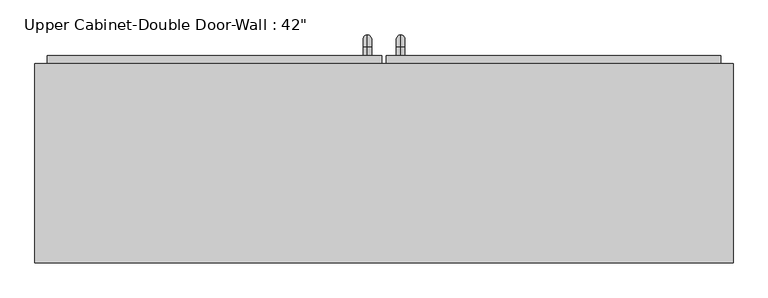
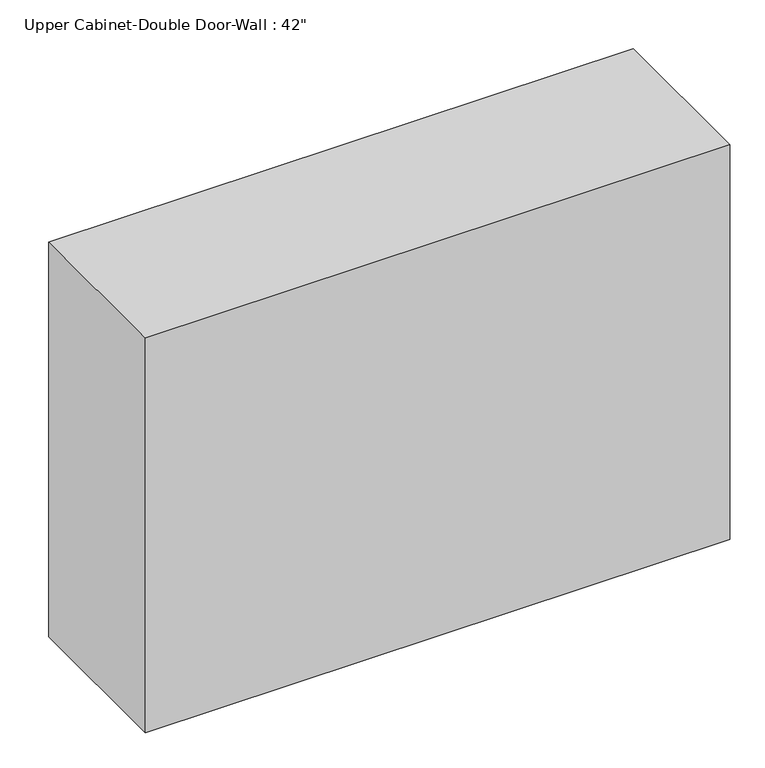
"""IFC4 building model written with IfcOpenShell, lengths in millimetres: furniture geometry."""

from ifc_helpers import new_model, si_unit, point, frame, origin, place, context, project, spatial, polyline, circle_curve, ellipse_curve, trimmed, outline, extrude, faceted_brep, source, transform, mapped, element, save
from ifc_brep_helpers import plane_surface, cylinder_surface, revolved_surface, advanced_brep


def furniture_35403546(model_context):
    return source(origin(), model_context, "Body", "SolidModel", [
        faceted_brep([(-503.6288372, 61.9125, 2133.6), (-503.6288372, 61.9125, 1371.6), (563.1711628, 61.9125, 1371.6), (563.1711628, 61.9125, 2133.6), (-503.6288372, 366.7125, 2133.6), (563.1711628, 366.7125, 2133.6), (563.1711628, 366.7125, 1371.6), (-503.6288372, 366.7125, 1371.6), (-484.5788372, 366.7125, 2114.55), (-484.5788372, 366.7125, 1390.65), (544.1211628, 366.7125, 1390.65), (544.1211628, 366.7125, 2114.55), (544.1211628, 80.9625, 2114.55), (-484.5788372, 80.9625, 2114.55), (544.1211628, 80.9625, 1390.65), (-484.5788372, 80.9625, 1390.65)], [[[0, 1, 2, 3]], [[4, 5, 6, 7], [8, 9, 10, 11]], [[1, 0, 4, 7]], [[2, 1, 7, 6]], [[3, 2, 6, 5]], [[0, 3, 5, 4]], [[8, 11, 12, 13]], [[11, 10, 14, 12]], [[10, 9, 15, 14]], [[9, 8, 13, 15]], [[13, 12, 14, 15]]]),
        advanced_brep(
        [(55.1711628, 379.4125, 1517.65), (55.1711628, 379.4125, 1530.35), (55.1711628, 392.1125, 1517.65), (55.1711628, 392.1125, 1530.35), (55.1711628, 411.1625, 1511.3), (55.1711628, 398.4625, 1511.3), (55.1711628, 398.4625, 1435.1), (55.1711628, 411.1625, 1435.1), (55.1711628, 392.1125, 1416.05), (55.1711628, 392.1125, 1428.75), (55.1711628, 379.4125, 1428.75), (55.1711628, 379.4125, 1416.05)],
        [
            (0, 1, circle_curve(frame((55.1711628, 379.4125, 1524.0), z_axis=(0.0, -1.0, 0.0), x_axis=(0.0, 0.0, -1.0)), 6.35)),
            (1, 0, circle_curve(frame((55.1711628, 379.4125, 1524.0), z_axis=(0.0, -1.0, 0.0), x_axis=(0.0, 0.0, -1.0)), 6.35)),
            (0, 2),
            (2, 3, circle_curve(frame((55.1711628, 392.1125, 1524.0), z_axis=(0.0, -1.0, 0.0), x_axis=(0.0, 0.0, -1.0)), 6.35)),
            (3, 1),
            (3, 2, circle_curve(frame((55.1711628, 392.1125, 1524.0), z_axis=(0.0, -1.0, 0.0), x_axis=(0.0, 0.0, -1.0)), 6.35)),
            (4, 3, circle_curve(frame((55.1711628, 392.1125, 1511.3), z_axis=(1.0, 0.0, 0.0), x_axis=(0.0, 0.0, 1.0)), 19.05)),
            (2, 5, circle_curve(frame((55.1711628, 392.1125, 1511.3), z_axis=(-1.0, 0.0, 0.0), x_axis=(0.0, 0.0, 1.0)), 6.35)),
            (5, 4, circle_curve(frame((55.1711628, 404.8125, 1511.3), z_axis=(0.0, 0.0, 1.0), x_axis=(0.0, -1.0, 0.0)), 6.35)),
            (4, 5, circle_curve(frame((55.1711628, 404.8125, 1511.3), z_axis=(0.0, 0.0, 1.0), x_axis=(0.0, -1.0, 0.0)), 6.35)),
            (5, 6),
            (6, 7, circle_curve(frame((55.1711628, 404.8125, 1435.1), z_axis=(0.0, 0.0, 1.0), x_axis=(0.0, -1.0, 0.0)), 6.35)),
            (7, 4),
            (7, 6, circle_curve(frame((55.1711628, 404.8125, 1435.1), z_axis=(0.0, 0.0, 1.0), x_axis=(0.0, -1.0, 0.0)), 6.35)),
            (8, 7, circle_curve(frame((55.1711628, 392.1125, 1435.1), z_axis=(1.0, 0.0, 0.0), x_axis=(0.0, 1.0, 0.0)), 19.05)),
            (6, 9, circle_curve(frame((55.1711628, 392.1125, 1435.1), z_axis=(-1.0, 0.0, 0.0), x_axis=(0.0, 1.0, 0.0)), 6.35)),
            (9, 8, circle_curve(frame((55.1711628, 392.1125, 1422.4), z_axis=(0.0, 1.0, 0.0), x_axis=(0.0, 0.0, 1.0)), 6.35)),
            (8, 9, circle_curve(frame((55.1711628, 392.1125, 1422.4), z_axis=(0.0, 1.0, 0.0), x_axis=(0.0, 0.0, 1.0)), 6.35)),
            (10, 11, circle_curve(frame((55.1711628, 379.4125, 1422.4), z_axis=(0.0, -1.0, 0.0), x_axis=(0.0, 0.0, 1.0)), 6.35)),
            (11, 10, circle_curve(frame((55.1711628, 379.4125, 1422.4), z_axis=(0.0, -1.0, 0.0), x_axis=(0.0, 0.0, 1.0)), 6.35)),
            (9, 10),
            (11, 8),
        ],
        [
            plane_surface(frame((48.8211628, 379.4125, 1524.0), z_axis=(0.0, -1.0, 0.0), x_axis=(0.0, 0.0, 1.0))),
            cylinder_surface(frame((55.1711628, 379.4125, 1524.0), z_axis=(0.0, -1.0, 0.0), x_axis=(0.0, 0.0, -1.0)), 6.35),
            revolved_surface(trimmed(ellipse_curve(frame((55.1711628, 392.1125, 1524.0), z_axis=(0.0, -1.0, 0.0), x_axis=(0.0, 0.0, -1.0)), 6.35, 6.35), [point((55.1711628, 392.1125, 1517.65))], [point((55.1711628, 392.1125, 1530.35))], True, "CARTESIAN"), (55.1711628, 392.1125, 1511.3), (-1.0, 0.0, 0.0)),
            revolved_surface(trimmed(ellipse_curve(frame((55.1711628, 392.1125, 1524.0), z_axis=(0.0, -1.0, 0.0), x_axis=(0.0, 0.0, -1.0)), 6.35, 6.35), [point((55.1711628, 392.1125, 1530.35))], [point((55.1711628, 392.1125, 1517.65))], True, "CARTESIAN"), (55.1711628, 392.1125, 1511.3), (-1.0, 0.0, 0.0)),
            cylinder_surface(frame((55.1711628, 404.8125, 1511.3), z_axis=(0.0, 0.0, 1.0), x_axis=(0.0, -1.0, 0.0)), 6.35),
            revolved_surface(trimmed(ellipse_curve(frame((55.1711628, 404.8125, 1435.1), z_axis=(0.0, 0.0, 1.0), x_axis=(0.0, -1.0, 0.0)), 6.35, 6.35), [point((55.1711628, 398.4625, 1435.1))], [point((55.1711628, 411.1625, 1435.1))], True, "CARTESIAN"), (55.1711628, 392.1125, 1435.1), (-1.0, 0.0, 0.0)),
            revolved_surface(trimmed(ellipse_curve(frame((55.1711628, 404.8125, 1435.1), z_axis=(0.0, 0.0, 1.0), x_axis=(0.0, -1.0, 0.0)), 6.35, 6.35), [point((55.1711628, 411.1625, 1435.1))], [point((55.1711628, 398.4625, 1435.1))], True, "CARTESIAN"), (55.1711628, 392.1125, 1435.1), (-1.0, 0.0, 0.0)),
            plane_surface(frame((48.8211628, 379.4125, 1422.4), z_axis=(0.0, -1.0, 0.0), x_axis=(0.0, 0.0, -1.0))),
            cylinder_surface(frame((55.1711628, 392.1125, 1422.4), z_axis=(0.0, 1.0, 0.0), x_axis=(0.0, 0.0, 1.0)), 6.35),
        ],
        [
            (0, [[1, 2]]),
            (1, [[-1, 3, 4, 5]]),
            (1, [[-2, -5, 6, -3]]),
            (2, [[7, -4, 8, 9]]),
            (3, [[-8, -6, -7, 10]]),
            (4, [[-9, 11, 12, 13]]),
            (4, [[-10, -13, 14, -11]]),
            (5, [[15, -12, 16, 17]]),
            (6, [[-16, -14, -15, 18]]),
            (7, [[19, 20]]),
            (8, [[-17, 21, -20, 22]]),
            (8, [[-18, -22, -19, -21]]),
        ],
    ),
        advanced_brep(
        [(4.3711628, 379.4125, 1517.65), (4.3711628, 379.4125, 1530.35), (4.3711628, 392.1125, 1517.65), (4.3711628, 392.1125, 1530.35), (4.3711628, 411.1625, 1511.3), (4.3711628, 398.4625, 1511.3), (4.3711628, 398.4625, 1435.1), (4.3711628, 411.1625, 1435.1), (4.3711628, 392.1125, 1416.05), (4.3711628, 392.1125, 1428.75), (4.3711628, 379.4125, 1428.75), (4.3711628, 379.4125, 1416.05)],
        [
            (0, 1, circle_curve(frame((4.3711628, 379.4125, 1524.0), z_axis=(0.0, -1.0, 0.0), x_axis=(0.0, 0.0, 1.0)), 6.35)),
            (1, 0, circle_curve(frame((4.3711628, 379.4125, 1524.0), z_axis=(0.0, -1.0, 0.0), x_axis=(0.0, 0.0, 1.0)), 6.35)),
            (0, 2),
            (2, 3, circle_curve(frame((4.3711628, 392.1125, 1524.0), z_axis=(0.0, -1.0, 0.0), x_axis=(0.0, 0.0, 1.0)), 6.35)),
            (3, 1),
            (3, 2, circle_curve(frame((4.3711628, 392.1125, 1524.0), z_axis=(0.0, -1.0, 0.0), x_axis=(0.0, 0.0, 1.0)), 6.35)),
            (4, 3, circle_curve(frame((4.3711628, 392.1125, 1511.3), z_axis=(1.0, 0.0, 0.0), x_axis=(0.0, 0.0, 1.0)), 19.05)),
            (2, 5, circle_curve(frame((4.3711628, 392.1125, 1511.3), z_axis=(-1.0, 0.0, 0.0), x_axis=(0.0, 0.0, 1.0)), 6.35)),
            (5, 4, circle_curve(frame((4.3711628, 404.8125, 1511.3), z_axis=(0.0, 0.0, 1.0), x_axis=(0.0, 1.0, 0.0)), 6.35)),
            (4, 5, circle_curve(frame((4.3711628, 404.8125, 1511.3), z_axis=(0.0, 0.0, 1.0), x_axis=(0.0, 1.0, 0.0)), 6.35)),
            (5, 6),
            (6, 7, circle_curve(frame((4.3711628, 404.8125, 1435.1), z_axis=(0.0, 0.0, 1.0), x_axis=(0.0, 1.0, 0.0)), 6.35)),
            (7, 4),
            (7, 6, circle_curve(frame((4.3711628, 404.8125, 1435.1), z_axis=(0.0, 0.0, 1.0), x_axis=(0.0, 1.0, 0.0)), 6.35)),
            (8, 7, circle_curve(frame((4.3711628, 392.1125, 1435.1), z_axis=(1.0, 0.0, 0.0), x_axis=(0.0, 1.0, 0.0)), 19.05)),
            (6, 9, circle_curve(frame((4.3711628, 392.1125, 1435.1), z_axis=(-1.0, 0.0, 0.0), x_axis=(0.0, 1.0, 0.0)), 6.35)),
            (9, 8, circle_curve(frame((4.3711628, 392.1125, 1422.4), z_axis=(0.0, 1.0, 0.0), x_axis=(0.0, 0.0, -1.0)), 6.35)),
            (8, 9, circle_curve(frame((4.3711628, 392.1125, 1422.4), z_axis=(0.0, 1.0, 0.0), x_axis=(0.0, 0.0, -1.0)), 6.35)),
            (10, 11, circle_curve(frame((4.3711628, 379.4125, 1422.4), z_axis=(0.0, -1.0, 0.0), x_axis=(0.0, 0.0, -1.0)), 6.35)),
            (11, 10, circle_curve(frame((4.3711628, 379.4125, 1422.4), z_axis=(0.0, -1.0, 0.0), x_axis=(0.0, 0.0, -1.0)), 6.35)),
            (9, 10),
            (11, 8),
        ],
        [
            plane_surface(frame((-1.9788372, 379.4125, 1524.0), z_axis=(0.0, -1.0, 0.0), x_axis=(0.0, 0.0, 1.0))),
            cylinder_surface(frame((4.3711628, 379.4125, 1524.0), z_axis=(0.0, -1.0, 0.0), x_axis=(0.0, 0.0, 1.0)), 6.35),
            revolved_surface(trimmed(ellipse_curve(frame((4.3711628, 392.1125, 1524.0), z_axis=(0.0, -1.0, 0.0), x_axis=(0.0, 0.0, 1.0)), 6.35, 6.35), [point((4.3711628, 392.1125, 1517.65))], [point((4.3711628, 392.1125, 1530.35))], True, "CARTESIAN"), (4.3711628, 392.1125, 1511.3), (-1.0, 0.0, 0.0)),
            revolved_surface(trimmed(ellipse_curve(frame((4.3711628, 392.1125, 1524.0), z_axis=(0.0, -1.0, 0.0), x_axis=(0.0, 0.0, 1.0)), 6.35, 6.35), [point((4.3711628, 392.1125, 1530.35))], [point((4.3711628, 392.1125, 1517.65))], True, "CARTESIAN"), (4.3711628, 392.1125, 1511.3), (-1.0, 0.0, 0.0)),
            cylinder_surface(frame((4.3711628, 404.8125, 1511.3), z_axis=(0.0, 0.0, 1.0), x_axis=(0.0, 1.0, 0.0)), 6.35),
            revolved_surface(trimmed(ellipse_curve(frame((4.3711628, 404.8125, 1435.1), z_axis=(0.0, 0.0, 1.0), x_axis=(0.0, 1.0, 0.0)), 6.35, 6.35), [point((4.3711628, 398.4625, 1435.1))], [point((4.3711628, 411.1625, 1435.1))], True, "CARTESIAN"), (4.3711628, 392.1125, 1435.1), (-1.0, 0.0, 0.0)),
            revolved_surface(trimmed(ellipse_curve(frame((4.3711628, 404.8125, 1435.1), z_axis=(0.0, 0.0, 1.0), x_axis=(0.0, 1.0, 0.0)), 6.35, 6.35), [point((4.3711628, 411.1625, 1435.1))], [point((4.3711628, 398.4625, 1435.1))], True, "CARTESIAN"), (4.3711628, 392.1125, 1435.1), (-1.0, 0.0, 0.0)),
            plane_surface(frame((-1.9788372, 379.4125, 1422.4), z_axis=(0.0, -1.0, 0.0), x_axis=(0.0, 0.0, -1.0))),
            cylinder_surface(frame((4.3711628, 392.1125, 1422.4), z_axis=(0.0, 1.0, 0.0), x_axis=(0.0, 0.0, -1.0)), 6.35),
        ],
        [
            (0, [[1, 2]]),
            (1, [[-1, 3, 4, 5]]),
            (1, [[-2, -5, 6, -3]]),
            (2, [[7, -4, 8, 9]]),
            (3, [[-8, -6, -7, 10]]),
            (4, [[-9, 11, 12, 13]]),
            (4, [[-10, -13, 14, -11]]),
            (5, [[15, -12, 16, 17]]),
            (6, [[-16, -14, -15, 18]]),
            (7, [[19, 20]]),
            (8, [[-17, 21, -20, 22]]),
            (8, [[-18, -22, -19, -21]]),
        ],
    ),
        extrude(outline(polyline([(32.9461628, 379.4125), (544.1211628, 379.4125), (544.1211628, 347.6625), (32.9461628, 347.6625), (32.9461628, 379.4125)])), frame((0.0, 0.0, 1390.65), z_axis=(0.0, 0.0, 1.0), x_axis=(1.0, 0.0, 0.0)), (0.0, 0.0, 1.0), 723.9),
        extrude(outline(polyline([(-484.5788372, 379.4125), (26.5961628, 379.4125), (26.5961628, 347.6625), (-484.5788372, 347.6625), (-484.5788372, 379.4125)])), frame((0.0, 0.0, 1390.65), z_axis=(0.0, 0.0, 1.0), x_axis=(1.0, 0.0, 0.0)), (0.0, 0.0, 1.0), 723.9),
    ])


if __name__ == "__main__":
    model = new_model("IFC4")
    model_context = context("Model", 3, world=origin())
    ifc_project = project(units=[si_unit("LENGTHUNIT", "METRE", prefix="MILLI")], contexts=[model_context])
    site = spatial("IfcSite", under=ifc_project)
    building = spatial("IfcBuilding", under=site)
    placement = place(None, origin())
    furniture_shape = furniture_35403546(model_context)
    element("IfcFurniture", 1, ObjectType="Upper Cabinet-Double Door-Wall : 42\"", at=placement, inside=building, context=model_context, shape_type="MappedRepresentation", body=[
        mapped(furniture_shape, transform((0.0, 0.0, 0.0), x_axis=(1.0, 0.0, 0.0), y_axis=(0.0, 1.0, 0.0), z_axis=(0.0, 0.0, 1.0))),
    ])
    save(model, "model.ifc")
